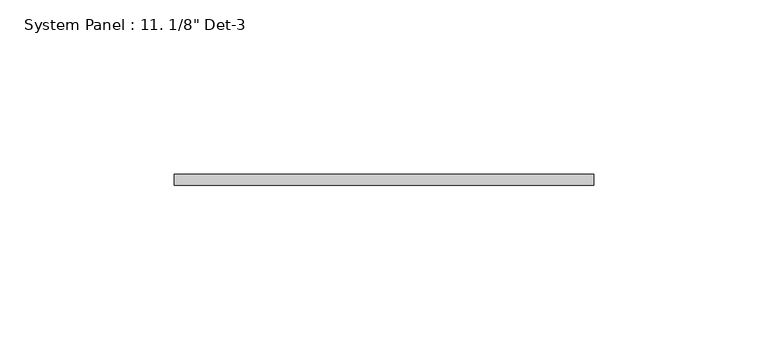
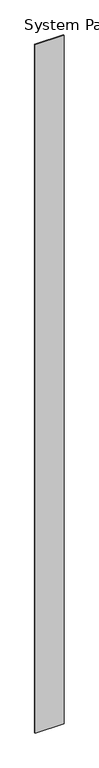
"""IFC4 building model written with IfcOpenShell, lengths in millimetres: plate geometry."""

from ifc_helpers import new_model, si_unit, origin, origin_with_axes, place, context, project, spatial, polyline, outline, extrude, source, transform, mapped, element, save


def plate_0128d35a(model_context):
    return source(origin(), model_context, "Body", "SweptSolid", [
        extrude(outline(polyline([(60.325, 5.55625), (-60.325, 5.55625), (-60.325, 8.73125), (60.325, 8.73125), (60.325, 5.55625)])), origin_with_axes(), (0.0, 0.0, 1.0), 3048.0),
    ])


if __name__ == "__main__":
    model = new_model("IFC4")
    model_context = context("Model", 3, world=origin())
    ifc_project = project(units=[si_unit("LENGTHUNIT", "METRE", prefix="MILLI")], contexts=[model_context])
    site = spatial("IfcSite", under=ifc_project)
    building = spatial("IfcBuilding", under=site)
    placement = place(None, origin())
    plate_shape = plate_0128d35a(model_context)
    element("IfcPlate", 1, ObjectType="System Panel : 11. 1/8\" Det-3", at=placement, inside=building, context=model_context, shape_type="MappedRepresentation", body=[
        mapped(plate_shape, transform((0.0, 0.0, 0.0), x_axis=(1.0, 0.0, 0.0), y_axis=(0.0, 1.0, 0.0), z_axis=(0.0, 0.0, 1.0))),
    ])
    save(model, "model.ifc")
